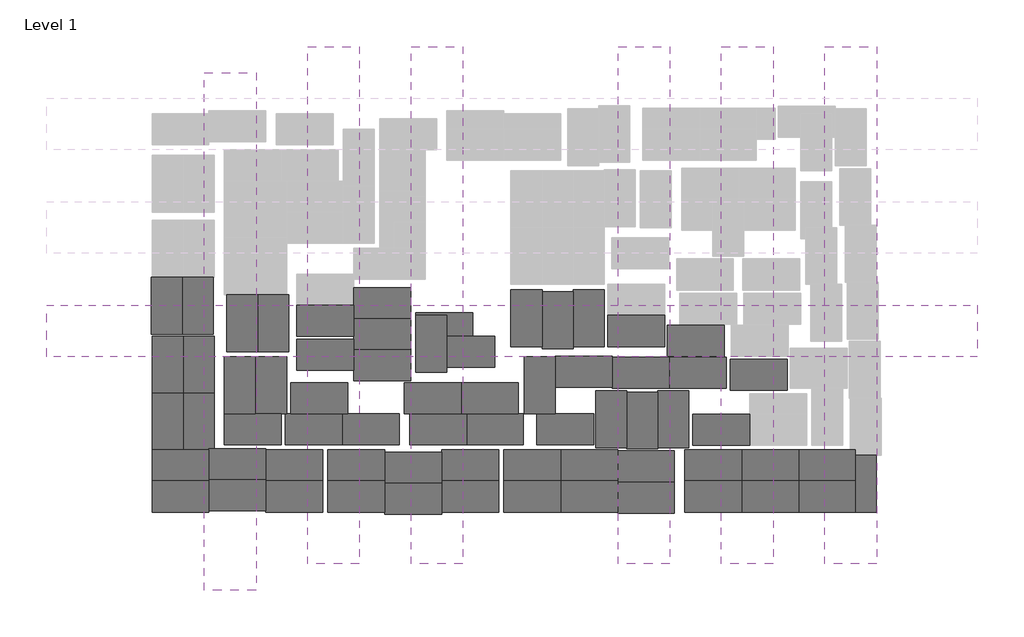
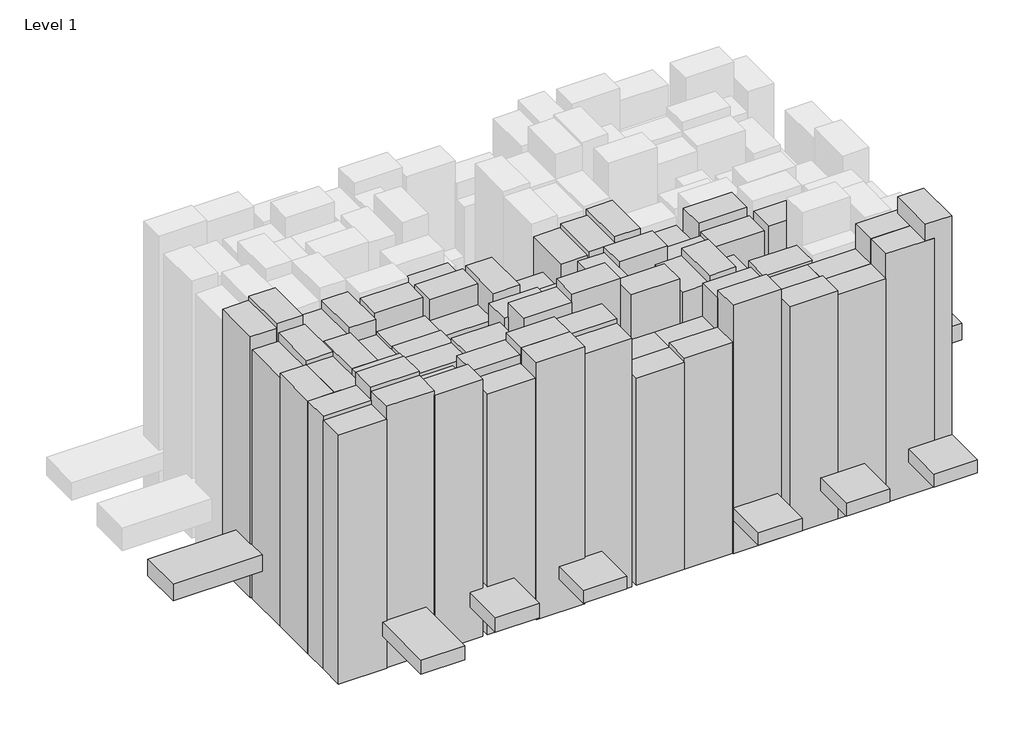
# One storey, part 1 of 2: 73 proxies.
"""IFC4 building model written with IfcOpenShell, lengths in millimetres."""

import ifcopenshell
import ifcopenshell.guid

model = None  # the IFC model being written
_history = None  # IfcOwnerHistory: only IFC2X3 demands one
_inside = {}  # id of a spatial element -> (the spatial element, [elements in it])
_under = {}  # id of a project, library or spatial element -> (it, [spatial elements below it])
_declared = {}  # id of a project -> (the project, [libraries it declares])
_typed = {}  # id of a type object -> (the type object, [elements of that type])
_made_of = {}  # id of a material, layer set ... -> (it, [elements and type objects made of it])


def new_model(schema):
    """Start an empty IFC model of exactly this schema.

    Asked for "IFC4X3", IfcOpenShell would pick the latest addendum, in which some entities
    have other attributes; the version numbers below select the first issue.
    IFC2X3 requires an IfcOwnerHistory on every rooted entity: one is made here for all.
    """
    global model, _history
    if schema == "IFC4X3":
        model = ifcopenshell.file(schema_version=(4, 3, 0, 0))
    else:
        model = ifcopenshell.file(schema=schema)
    _inside.clear()
    _under.clear()
    _declared.clear()
    _typed.clear()
    _made_of.clear()
    _history = None
    if model.schema == "IFC2X3":
        org = make("IfcOrganization", Name="unknown")
        user = make(
            "IfcPersonAndOrganization",
            ThePerson=make("IfcPerson", FamilyName="unknown"),
            TheOrganization=org,
        )
        app = make(
            "IfcApplication",
            ApplicationDeveloper=org,
            Version="unknown",
            ApplicationFullName="unknown",
            ApplicationIdentifier="unknown",
        )
        _history = make(
            "IfcOwnerHistory",
            OwningUser=user,
            OwningApplication=app,
            ChangeAction="ADDED",
            CreationDate=0,
        )
    return model


def make(cls, **values):
    """One entity of the class cls with the attributes given. An attribute that is None is left unset."""
    return model.create_entity(
        cls, **{name: value for name, value in values.items() if value is not None}
    )


def rooted(cls, **values):
    """An entity with a GlobalId (a new one), such as an element, a storey or a relation."""
    return make(cls, GlobalId=ifcopenshell.guid.new(), OwnerHistory=_history, **values)


def si_unit(unit_type, name, prefix=None):
    """IfcSIUnit, for example si_unit("LENGTHUNIT", "METRE", prefix="MILLI")."""
    return make("IfcSIUnit", UnitType=unit_type, Prefix=prefix, Name=name)


def assignment(units):
    """IfcUnitAssignment: the units of a project."""
    return None if units is None else make("IfcUnitAssignment", Units=units)


def point(xyz):
    """IfcCartesianPoint."""
    return None if xyz is None else make("IfcCartesianPoint", Coordinates=xyz)


def direction(xyz):
    """IfcDirection."""
    return None if xyz is None else make("IfcDirection", DirectionRatios=xyz)


def frame(location, z_axis=None, x_axis=None):
    """IfcAxis2Placement3D, a coordinate frame: its origin and axes. An axis left out is left unset."""
    return make(
        "IfcAxis2Placement3D",
        Location=point(location),
        Axis=direction(z_axis),
        RefDirection=direction(x_axis),
    )


def origin():
    """The frame at (0, 0, 0) with its axes left unset."""
    return frame((0.0, 0.0, 0.0))


def origin_with_axes():
    """The frame at (0, 0, 0) with the z axis (0, 0, 1) and the x axis (1, 0, 0) written out."""
    return frame((0.0, 0.0, 0.0), z_axis=(0.0, 0.0, 1.0), x_axis=(1.0, 0.0, 0.0))


def place(relative_to, where):
    """IfcLocalPlacement: puts the frame where relative to a parent placement (None: the world)."""
    return make(
        "IfcLocalPlacement", PlacementRelTo=relative_to, RelativePlacement=where
    )


def context(
    kind, dimensions, precision=None, world=None, true_north=None, identifier=None
):
    """IfcGeometricRepresentationContext, for example the 3D "Model" context."""
    return make(
        "IfcGeometricRepresentationContext",
        ContextIdentifier=identifier,
        ContextType=kind,
        CoordinateSpaceDimension=dimensions,
        Precision=precision,
        WorldCoordinateSystem=world,
        TrueNorth=true_north,
    )


def project(units=None, contexts=None):
    """IfcProject with its units and contexts."""
    return rooted(
        "IfcProject",
        Name="project",
        RepresentationContexts=contexts,
        UnitsInContext=assignment(units),
    )


def spatial(cls, under=None, at=None, **own):
    """A site, building, storey or space (cls), placed at a placement, below another one or the project."""
    s = rooted(cls, ObjectPlacement=at, **own)
    if under is not None:
        _under.setdefault(under.id(), (under, []))[1].append(s)
    return s


def polyline(points):
    """IfcPolyline through the points."""
    return make("IfcPolyline", Points=[point(p) for p in points])


def outline(outer, holes=None, kind="AREA"):
    """IfcArbitraryClosedProfileDef: a profile drawn as a closed curve; with holes, ...WithVoids."""
    if holes is None:
        return make("IfcArbitraryClosedProfileDef", ProfileType=kind, OuterCurve=outer)
    return make(
        "IfcArbitraryProfileDefWithVoids",
        ProfileType=kind,
        OuterCurve=outer,
        InnerCurves=holes,
    )


def extrude(swept, where, along, depth):
    """IfcExtrudedAreaSolid: the profile swept, set in the frame where, extruded along a direction by depth."""
    return make(
        "IfcExtrudedAreaSolid",
        SweptArea=swept,
        Position=where,
        ExtrudedDirection=direction(along),
        Depth=depth,
    )


def shape(context_of_items, identifier, shape_type, items):
    """IfcShapeRepresentation: the items that make up one representation, for example the "Body"."""
    return make(
        "IfcShapeRepresentation",
        ContextOfItems=context_of_items,
        RepresentationIdentifier=identifier,
        RepresentationType=shape_type,
        Items=items,
    )


def source(mapping_origin, context_of_items, identifier, shape_type, items):
    """IfcRepresentationMap: a shape defined once, which mapped items show again and again."""
    return make(
        "IfcRepresentationMap",
        MappingOrigin=mapping_origin,
        MappedRepresentation=shape(context_of_items, identifier, shape_type, items),
    )


def transform(
    local_origin,
    x_axis=None,
    y_axis=None,
    z_axis=None,
    scale=None,
    scale2=None,
    scale3=None,
    uniform=True,
):
    """IfcCartesianTransformationOperator3D, or its non-uniform kind. x_axis, y_axis, z_axis: its Axis1, 2, 3."""
    if uniform:
        return make(
            "IfcCartesianTransformationOperator3D",
            Axis1=direction(x_axis),
            Axis2=direction(y_axis),
            LocalOrigin=point(local_origin),
            Scale=scale,
            Axis3=direction(z_axis),
        )
    return make(
        "IfcCartesianTransformationOperator3DnonUniform",
        Axis1=direction(x_axis),
        Axis2=direction(y_axis),
        LocalOrigin=point(local_origin),
        Scale=scale,
        Axis3=direction(z_axis),
        Scale2=scale2,
        Scale3=scale3,
    )


def mapped(mapping_source, mapping_target):
    """IfcMappedItem: shows the shape of a source again, moved by a transform."""
    return make(
        "IfcMappedItem", MappingSource=mapping_source, MappingTarget=mapping_target
    )


def made_of(thing, what):
    """Note that an element or type object is made of a material, layer set ...; save() writes the relation."""
    if what is not None:
        _made_of.setdefault(what.id(), (what, []))[1].append(thing)
    return thing


def element(
    cls,
    number,
    at=None,
    inside=None,
    cuts=None,
    type_object=None,
    material=None,
    context=None,
    identifier="Body",
    shape_type=None,
    held_by="IfcProductDefinitionShape",
    body=None,
    shapes=None,
    **own,
):
    """One element of the class cls, such as IfcWall. Its Tag is "e" and its number.

    at: its placement. inside: the storey or other place that contains it. cuts: it is an
    opening in that element (IfcRelVoidsElement). A single representation is given by context,
    identifier, shape_type and body (its items); several are given by shapes. held_by: the class
    of the entity that holds the representations. save() writes the other relations.
    """
    e = rooted(cls, Tag="e%d" % number, ObjectPlacement=at, **own)
    if body is not None:
        shapes = [shape(context, identifier, shape_type, body)]
    if shapes is not None:
        e.Representation = make(held_by, Representations=shapes)
    if inside is not None:
        _inside.setdefault(inside.id(), (inside, []))[1].append(e)
    if cuts is not None:
        rooted(
            "IfcRelVoidsElement", RelatingBuildingElement=cuts, RelatedOpeningElement=e
        )
    if type_object is not None:
        _typed.setdefault(type_object.id(), (type_object, []))[1].append(e)
    return made_of(e, material)


def aggregate(whole, parts):
    """IfcRelAggregates: a whole, such as a stair, and the parts it consists of."""
    return rooted("IfcRelAggregates", RelatingObject=whole, RelatedObjects=parts)


def save(model, path):
    """Write the relations noted so far, then the file.

    IfcRelAggregates (storeys below a building ...), IfcRelContainedInSpatialStructure (elements
    in a storey), IfcRelDefinesByType, IfcRelAssociatesMaterial and IfcRelDeclares: one each for
    every whole, place, type object, material and project.
    """
    for whole, parts in _under.values():
        aggregate(whole, parts)
    for where, things in _inside.values():
        rooted(
            "IfcRelContainedInSpatialStructure",
            RelatedElements=things,
            RelatingStructure=where,
        )
    for kind, things in _typed.values():
        rooted("IfcRelDefinesByType", RelatedObjects=things, RelatingType=kind)
    for what, things in _made_of.values():
        rooted("IfcRelAssociatesMaterial", RelatedObjects=things, RelatingMaterial=what)
    for by, libraries in _declared.values():
        rooted("IfcRelDeclares", RelatingContext=by, RelatedDefinitions=libraries)
    model.write(path)


def family1_dcfbde00(model_context):
    return source(origin(), model_context, "Body", "SweptSolid", [
        extrude(outline(polyline([(5500.0, 0.0), (0.0, 0.0), (0.0, 3000.0), (5500.0, 3000.0), (5500.0, 0.0)])), origin_with_axes(), (0.0, 0.0, 1.0), 30000.0),
    ])


def family1_fa76c40e(model_context):
    return source(origin(), model_context, "Body", "SweptSolid", [
        extrude(outline(polyline([(5500.0, 0.0), (0.0, 0.0), (0.0, 3000.0), (5500.0, 3000.0), (5500.0, 0.0)])), origin_with_axes(), (0.0, 0.0, 1.0), 31500.0),
    ])


def family1_e73b99d9(model_context):
    return source(origin(), model_context, "Body", "SweptSolid", [
        extrude(outline(polyline([(5500.0, 0.0), (0.0, 0.0), (0.0, 3000.0), (5500.0, 3000.0), (5500.0, 0.0)])), origin_with_axes(), (0.0, 0.0, 1.0), 31000.0),
    ])


def family1_9aadf6d4(model_context):
    return source(origin(), model_context, "Body", "SweptSolid", [
        extrude(outline(polyline([(5500.0, 0.0), (0.0, 0.0), (0.0, 3000.0), (5500.0, 3000.0), (5500.0, 0.0)])), origin_with_axes(), (0.0, 0.0, 1.0), 29000.0),
    ])


def family1_6fe13b76(model_context):
    return source(origin(), model_context, "Body", "SweptSolid", [
        extrude(outline(polyline([(5500.0, 0.0), (0.0, 0.0), (0.0, 3000.0), (5500.0, 3000.0), (5500.0, 0.0)])), origin_with_axes(), (0.0, 0.0, 1.0), 25000.0),
    ])


def family1_b796bfb3(model_context):
    return source(origin(), model_context, "Body", "SweptSolid", [
        extrude(outline(polyline([(5500.0, 0.0), (0.0, 0.0), (0.0, 3000.0), (5500.0, 3000.0), (5500.0, 0.0)])), origin_with_axes(), (0.0, 0.0, 1.0), 25500.0),
    ])


def family1_b3317241(model_context):
    return source(origin(), model_context, "Body", "SweptSolid", [
        extrude(outline(polyline([(5500.0, 0.0), (0.0, 0.0), (0.0, 3000.0), (5500.0, 3000.0), (5500.0, 0.0)])), origin_with_axes(), (0.0, 0.0, 1.0), 27500.0),
    ])


def family1_00f34a61(model_context):
    return source(origin(), model_context, "Body", "SweptSolid", [
        extrude(outline(polyline([(5500.0, 0.0), (0.0, 0.0), (0.0, 3000.0), (5500.0, 3000.0), (5500.0, 0.0)])), origin_with_axes(), (0.0, 0.0, 1.0), 27000.0),
    ])


def family1_896059d8(model_context):
    return source(origin(), model_context, "Body", "SweptSolid", [
        extrude(outline(polyline([(5500.0, 0.0), (0.0, 0.0), (0.0, 3000.0), (5500.0, 3000.0), (5500.0, 0.0)])), origin_with_axes(), (0.0, 0.0, 1.0), 30500.0),
    ])


def family1_b3f269f6(model_context):
    return source(origin(), model_context, "Body", "SweptSolid", [
        extrude(outline(polyline([(5500.0, 0.0), (0.0, 0.0), (0.0, 3000.0), (5500.0, 3000.0), (5500.0, 0.0)])), origin_with_axes(), (0.0, 0.0, 1.0), 32000.0),
    ])


def family1_c6da188d(model_context):
    return source(origin(), model_context, "Body", "SweptSolid", [
        extrude(outline(polyline([(5500.0, 0.0), (0.0, 0.0), (0.0, 3000.0), (5500.0, 3000.0), (5500.0, 0.0)])), origin_with_axes(), (0.0, 0.0, 1.0), 29800.0),
    ])


def family1_1ed43506(model_context):
    return source(origin(), model_context, "Body", "SweptSolid", [
        extrude(outline(polyline([(5500.0, 0.0), (0.0, 0.0), (0.0, 3000.0), (5500.0, 3000.0), (5500.0, 0.0)])), origin_with_axes(), (0.0, 0.0, 1.0), 29500.0),
    ])


def family1_eb2d8682(model_context):
    return source(origin(), model_context, "Body", "SweptSolid", [
        extrude(outline(polyline([(5500.0, 0.0), (0.0, 0.0), (0.0, 3000.0), (5500.0, 3000.0), (5500.0, 0.0)])), origin_with_axes(), (0.0, 0.0, 1.0), 28500.0),
    ])


def family1_bbf167fb(model_context):
    return source(origin(), model_context, "Body", "SweptSolid", [
        extrude(outline(polyline([(5500.0, 0.0), (0.0, 0.0), (0.0, 3000.0), (5500.0, 3000.0), (5500.0, 0.0)])), origin_with_axes(), (0.0, 0.0, 1.0), 27800.0),
    ])


def family1_5d7a1b15(model_context):
    return source(origin(), model_context, "Body", "SweptSolid", [
        extrude(outline(polyline([(5500.0, 0.0), (0.0, 0.0), (0.0, 3000.0), (5500.0, 3000.0), (5500.0, 0.0)])), origin_with_axes(), (0.0, 0.0, 1.0), 28900.0),
    ])


def family1_4a66f62a(model_context):
    return source(origin(), model_context, "Body", "SweptSolid", [
        extrude(outline(polyline([(5500.0, 0.0), (0.0, 0.0), (0.0, 3000.0), (5500.0, 3000.0), (5500.0, 0.0)])), origin_with_axes(), (0.0, 0.0, 1.0), 29300.0),
    ])


def family1_2dd5feae(model_context):
    return source(origin(), model_context, "Body", "SweptSolid", [
        extrude(outline(polyline([(5500.0, 0.0), (0.0, 0.0), (0.0, 3000.0), (5500.0, 3000.0), (5500.0, 0.0)])), origin_with_axes(), (0.0, 0.0, 1.0), 26500.0),
    ])


def family1_f460b809(model_context):
    return source(origin(), model_context, "Body", "SweptSolid", [
        extrude(outline(polyline([(5500.0, 0.0), (0.0, 0.0), (0.0, 3000.0), (5500.0, 3000.0), (5500.0, 0.0)])), origin_with_axes(), (0.0, 0.0, 1.0), 29400.0),
    ])


def family1_5bcc99a8(model_context):
    return source(origin(), model_context, "Body", "SweptSolid", [
        extrude(outline(polyline([(5500.0, 0.0), (0.0, 0.0), (0.0, 3000.0), (5500.0, 3000.0), (5500.0, 0.0)])), origin_with_axes(), (0.0, 0.0, 1.0), 28800.0),
    ])


def family1_86fee04a(model_context):
    return source(origin(), model_context, "Body", "SweptSolid", [
        extrude(outline(polyline([(5500.0, 0.0), (0.0, 0.0), (0.0, 3000.0), (5500.0, 3000.0), (5500.0, 0.0)])), origin_with_axes(), (0.0, 0.0, 1.0), 28000.0),
    ])


def family1_0870149c(model_context):
    return source(origin(), model_context, "Body", "SweptSolid", [
        extrude(outline(polyline([(5000.0, 0.0), (0.0, 0.0), (0.0, 50000.0), (5000.0, 50000.0), (5000.0, 0.0)])), origin_with_axes(), (0.0, 0.0, 1.0), 1500.0),
    ])


def family1_b5d88c79(model_context):
    return source(origin(), model_context, "Body", "SweptSolid", [
        extrude(outline(polyline([(5500.0, 0.0), (0.0, 0.0), (0.0, 3000.0), (5500.0, 3000.0), (5500.0, 0.0)])), origin_with_axes(), (0.0, 0.0, 1.0), 32470.0),
    ])


def family1_2c96ef30(model_context):
    return source(origin(), model_context, "Body", "SweptSolid", [
        extrude(outline(polyline([(5000.0, 0.0), (0.0, 0.0), (0.0, 50000.0), (5000.0, 50000.0), (5000.0, 0.0)])), origin_with_axes(), (0.0, 0.0, 1.0), 1585.0),
    ])


def family1_608e45cc(model_context):
    return source(origin(), model_context, "Body", "SweptSolid", [
        extrude(outline(polyline([(5000.0, 0.0), (0.0, 0.0), (0.0, 50000.0), (5000.0, 50000.0), (5000.0, 0.0)])), origin_with_axes(), (0.0, 0.0, 1.0), 1589.0),
    ])


def family1_6e480913(model_context):
    return source(origin(), model_context, "Body", "SweptSolid", [
        extrude(outline(polyline([(5000.0, 0.0), (0.0, 0.0), (0.0, 50000.0), (5000.0, 50000.0), (5000.0, 0.0)])), origin_with_axes(), (0.0, 0.0, 1.0), 1532.0),
    ])


def family1_7117d171(model_context):
    return source(origin(), model_context, "Body", "SweptSolid", [
        extrude(outline(polyline([(5000.0, 0.0), (0.0, 0.0), (0.0, 50000.0), (5000.0, 50000.0), (5000.0, 0.0)])), origin_with_axes(), (0.0, 0.0, 1.0), 1689.0),
    ])


def family1_5b284965(model_context):
    return source(origin(), model_context, "Body", "SweptSolid", [
        extrude(outline(polyline([(5000.0, 0.0), (0.0, 0.0), (0.0, 50000.0), (5000.0, 50000.0), (5000.0, 0.0)])), origin_with_axes(), (0.0, 0.0, 1.0), 1785.0),
    ])


def family1_dd47b51a(model_context):
    return source(origin(), model_context, "Body", "SweptSolid", [
        extrude(outline(polyline([(90000.0, 0.0), (0.0, 0.0), (0.0, 5000.0), (90000.0, 5000.0), (90000.0, 0.0)])), origin_with_axes(), (0.0, 0.0, 1.0), 1984.0),
    ])


model = new_model("IFC4")

# Units and contexts
model_context = context("Model", 3, world=origin())
ifc_project = project(units=[si_unit("LENGTHUNIT", "METRE", prefix="MILLI")], contexts=[model_context])

# Site, building, storey
site = spatial("IfcSite", under=ifc_project)
building = spatial("IfcBuilding", under=site)
storey = spatial("IfcBuildingStorey", under=building, Name="Level 1", Elevation=0.0)

# Proxies
placement = place(None, origin())
family1_shape = family1_dcfbde00(model_context)
element("IfcBuildingElementProxy", 1, Name="Family1", ObjectType="Family1", at=placement, inside=storey, context=model_context, shape_type="MappedRepresentation", body=[
    mapped(family1_shape, transform((-431048.9072431, -147553.2809214, 0.0), x_axis=(1.0, 0.0, 0.0), y_axis=(0.0, 1.0, 0.0), z_axis=(0.0, 0.0, 1.0))),
])
element("IfcBuildingElementProxy", 2, Name="Family1", ObjectType="Family1", at=placement, inside=storey, context=model_context, shape_type="MappedRepresentation", body=[
    mapped(family1_shape, transform((-403048.9072431, -147553.2809214, 0.0), x_axis=(1.0, 0.0, 0.0), y_axis=(0.0, 1.0, 0.0), z_axis=(0.0, 0.0, 1.0))),
])
element("IfcBuildingElementProxy", 3, Name="Family1", ObjectType="Family1", at=placement, inside=storey, context=model_context, shape_type="MappedRepresentation", body=[
    mapped(family1_shape, transform((-386048.9072431, -147653.2809214, 0.0), x_axis=(1.0, 0.0, 0.0), y_axis=(0.0, 1.0, 0.0), z_axis=(0.0, 0.0, 1.0))),
])
element("IfcBuildingElementProxy", 4, Name="Family1", ObjectType="Family1", at=placement, inside=storey, context=model_context, shape_type="MappedRepresentation", body=[
    mapped(family1_shape, transform((-368548.9072431, -147553.2809214, 0.0), x_axis=(1.0, 0.0, 0.0), y_axis=(0.0, 1.0, 0.0), z_axis=(0.0, 0.0, 1.0))),
])
element("IfcBuildingElementProxy", 5, Name="Family1", ObjectType="Family1", at=placement, inside=storey, context=model_context, shape_type="MappedRepresentation", body=[
    mapped(family1_shape, transform((-414048.9072431, -144553.2809214, 0.0), x_axis=(1.0, 0.0, 0.0), y_axis=(0.0, 1.0, 0.0), z_axis=(0.0, 0.0, 1.0))),
])
element("IfcBuildingElementProxy", 6, Name="Family1", ObjectType="Family1", at=placement, inside=storey, context=model_context, shape_type="MappedRepresentation", body=[
    mapped(family1_shape, transform((-368548.9072431, -144553.2809214, 0.0), x_axis=(1.0, 0.0, 0.0), y_axis=(0.0, 1.0, 0.0), z_axis=(0.0, 0.0, 1.0))),
])
element("IfcBuildingElementProxy", 7, Name="Family1", ObjectType="Family1", at=placement, inside=storey, context=model_context, shape_type="MappedRepresentation", body=[
    mapped(family1_shape, transform((-428048.9072431, -136053.2809214, 0.0), x_axis=(0.0, 1.0, 0.0), y_axis=(-1.0, 0.0, 0.0), z_axis=(0.0, 0.0, 1.0))),
])
element("IfcBuildingElementProxy", 8, Name="Family1", ObjectType="Family1", at=placement, inside=storey, context=model_context, shape_type="MappedRepresentation", body=[
    mapped(family1_shape, transform((-417848.9072431, -132053.2809214, 0.0), x_axis=(0.0, 1.0, 0.0), y_axis=(-1.0, 0.0, 0.0), z_axis=(0.0, 0.0, 1.0))),
])
element("IfcBuildingElementProxy", 9, Name="Family1", ObjectType="Family1", at=placement, inside=storey, context=model_context, shape_type="MappedRepresentation", body=[
    mapped(family1_shape, transform((-411548.9072431, -131853.2809214, 0.0), x_axis=(1.0, 0.0, 0.0), y_axis=(0.0, 1.0, 0.0), z_axis=(0.0, 0.0, 1.0))),
])
element("IfcBuildingElementProxy", 10, Name="Family1", ObjectType="Family1", at=placement, inside=storey, context=model_context, shape_type="MappedRepresentation", body=[
    mapped(family1_shape, transform((-388348.9072431, -138053.2809214, 0.0), x_axis=(-1.0, 0.0, 0.0), y_axis=(0.0, -1.0, 0.0), z_axis=(0.0, 0.0, 1.0))),
])
element("IfcBuildingElementProxy", 11, Name="Family1", ObjectType="Family1", at=placement, inside=storey, context=model_context, shape_type="MappedRepresentation", body=[
    mapped(family1_shape, transform((-402548.9072431, -134053.2809214, 0.0), x_axis=(0.0, 1.0, 0.0), y_axis=(-1.0, 0.0, 0.0), z_axis=(0.0, 0.0, 1.0))),
])
element("IfcBuildingElementProxy", 12, Name="Family1", ObjectType="Family1", at=placement, inside=storey, context=model_context, shape_type="MappedRepresentation", body=[
    mapped(family1_shape, transform((-387348.9072431, -131553.2809214, 0.0), x_axis=(0.0, 1.0, 0.0), y_axis=(-1.0, 0.0, 0.0), z_axis=(0.0, 0.0, 1.0))),
])
element("IfcBuildingElementProxy", 13, Name="Family1", ObjectType="Family1", at=placement, inside=storey, context=model_context, shape_type="MappedRepresentation", body=[
    mapped(family1_shape, transform((-386548.9072431, -132503.2809214, 0.0), x_axis=(-1.0, 0.0, 0.0), y_axis=(0.0, -1.0, 0.0), z_axis=(0.0, 0.0, 1.0))),
])
family1_2_shape = family1_fa76c40e(model_context)
element("IfcBuildingElementProxy", 14, Name="Family1", ObjectType="Family1", at=placement, inside=storey, context=model_context, shape_type="MappedRepresentation", body=[
    mapped(family1_2_shape, transform((-425548.9072431, -147453.2809214, 0.0), x_axis=(1.0, 0.0, 0.0), y_axis=(0.0, 1.0, 0.0), z_axis=(0.0, 0.0, 1.0))),
])
element("IfcBuildingElementProxy", 15, Name="Family1", ObjectType="Family1", at=placement, inside=storey, context=model_context, shape_type="MappedRepresentation", body=[
    mapped(family1_2_shape, transform((-428148.9072431, -130353.2809214, 0.0), x_axis=(0.0, 1.0, 0.0), y_axis=(-1.0, 0.0, 0.0), z_axis=(0.0, 0.0, 1.0))),
])
element("IfcBuildingElementProxy", 16, Name="Family1", ObjectType="Family1", at=placement, inside=storey, context=model_context, shape_type="MappedRepresentation", body=[
    mapped(family1_2_shape, transform((-400648.9072431, -138053.2809214, 0.0), x_axis=(-1.0, 0.0, 0.0), y_axis=(0.0, -1.0, 0.0), z_axis=(0.0, 0.0, 1.0))),
])
family1_3_shape = family1_e73b99d9(model_context)
element("IfcBuildingElementProxy", 17, Name="Family1", ObjectType="Family1", at=placement, inside=storey, context=model_context, shape_type="MappedRepresentation", body=[
    mapped(family1_3_shape, transform((-420048.9072431, -147553.2809214, 0.0), x_axis=(1.0, 0.0, 0.0), y_axis=(0.0, 1.0, 0.0), z_axis=(0.0, 0.0, 1.0))),
])
element("IfcBuildingElementProxy", 18, Name="Family1", ObjectType="Family1", at=placement, inside=storey, context=model_context, shape_type="MappedRepresentation", body=[
    mapped(family1_3_shape, transform((-408548.9072431, -147753.2809214, 0.0), x_axis=(1.0, 0.0, 0.0), y_axis=(0.0, 1.0, 0.0), z_axis=(0.0, 0.0, 1.0))),
])
element("IfcBuildingElementProxy", 19, Name="Family1", ObjectType="Family1", at=placement, inside=storey, context=model_context, shape_type="MappedRepresentation", body=[
    mapped(family1_3_shape, transform((-408548.9072431, -144753.2809214, 0.0), x_axis=(1.0, 0.0, 0.0), y_axis=(0.0, 1.0, 0.0), z_axis=(0.0, 0.0, 1.0))),
])
element("IfcBuildingElementProxy", 20, Name="Family1", ObjectType="Family1", at=placement, inside=storey, context=model_context, shape_type="MappedRepresentation", body=[
    mapped(family1_3_shape, transform((-425048.9072431, -136053.2809214, 0.0), x_axis=(0.0, 1.0, 0.0), y_axis=(-1.0, 0.0, 0.0), z_axis=(0.0, 0.0, 1.0))),
])
family1_4_shape = family1_9aadf6d4(model_context)
element("IfcBuildingElementProxy", 21, Name="Family1", ObjectType="Family1", at=placement, inside=storey, context=model_context, shape_type="MappedRepresentation", body=[
    mapped(family1_4_shape, transform((-414048.9072431, -147553.2809214, 0.0), x_axis=(1.0, 0.0, 0.0), y_axis=(0.0, 1.0, 0.0), z_axis=(0.0, 0.0, 1.0))),
])
element("IfcBuildingElementProxy", 22, Name="Family1", ObjectType="Family1", at=placement, inside=storey, context=model_context, shape_type="MappedRepresentation", body=[
    mapped(family1_4_shape, transform((-420048.9072431, -144553.2809214, 0.0), x_axis=(1.0, 0.0, 0.0), y_axis=(0.0, 1.0, 0.0), z_axis=(0.0, 0.0, 1.0))),
])
element("IfcBuildingElementProxy", 23, Name="Family1", ObjectType="Family1", at=placement, inside=storey, context=model_context, shape_type="MappedRepresentation", body=[
    mapped(family1_4_shape, transform((-386048.9072431, -144653.2809214, 0.0), x_axis=(1.0, 0.0, 0.0), y_axis=(0.0, 1.0, 0.0), z_axis=(0.0, 0.0, 1.0))),
])
element("IfcBuildingElementProxy", 24, Name="Family1", ObjectType="Family1", at=placement, inside=storey, context=model_context, shape_type="MappedRepresentation", body=[
    mapped(family1_4_shape, transform((-412648.9072431, -138053.2809214, 0.0), x_axis=(-1.0, 0.0, 0.0), y_axis=(0.0, -1.0, 0.0), z_axis=(0.0, 0.0, 1.0))),
])
element("IfcBuildingElementProxy", 25, Name="Family1", ObjectType="Family1", at=placement, inside=storey, context=model_context, shape_type="MappedRepresentation", body=[
    mapped(family1_4_shape, transform((-420848.9072431, -132053.2809214, 0.0), x_axis=(0.0, 1.0, 0.0), y_axis=(-1.0, 0.0, 0.0), z_axis=(0.0, 0.0, 1.0))),
])
element("IfcBuildingElementProxy", 26, Name="Family1", ObjectType="Family1", at=placement, inside=storey, context=model_context, shape_type="MappedRepresentation", body=[
    mapped(family1_4_shape, transform((-375736.7752087, -129491.148887, 0.0), x_axis=(-1.0, 0.0, 0.0), y_axis=(0.0, -1.0, 0.0), z_axis=(0.0, 0.0, 1.0))),
])
family1_5_shape = family1_6fe13b76(model_context)
element("IfcBuildingElementProxy", 27, Name="Family1", ObjectType="Family1", at=placement, inside=storey, context=model_context, shape_type="MappedRepresentation", body=[
    mapped(family1_5_shape, transform((-397048.9072431, -147553.2809214, 0.0), x_axis=(1.0, 0.0, 0.0), y_axis=(0.0, 1.0, 0.0), z_axis=(0.0, 0.0, 1.0))),
])
element("IfcBuildingElementProxy", 28, Name="Family1", ObjectType="Family1", at=placement, inside=storey, context=model_context, shape_type="MappedRepresentation", body=[
    mapped(family1_5_shape, transform((-397048.9072431, -144553.2809214, 0.0), x_axis=(1.0, 0.0, 0.0), y_axis=(0.0, 1.0, 0.0), z_axis=(0.0, 0.0, 1.0))),
])
element("IfcBuildingElementProxy", 29, Name="Family1", ObjectType="Family1", at=placement, inside=storey, context=model_context, shape_type="MappedRepresentation", body=[
    mapped(family1_5_shape, transform((-391548.9072431, -144553.2809214, 0.0), x_axis=(1.0, 0.0, 0.0), y_axis=(0.0, 1.0, 0.0), z_axis=(0.0, 0.0, 1.0))),
])
family1_6_shape = family1_b796bfb3(model_context)
element("IfcBuildingElementProxy", 30, Name="Family1", ObjectType="Family1", at=placement, inside=storey, context=model_context, shape_type="MappedRepresentation", body=[
    mapped(family1_6_shape, transform((-391548.9072431, -147553.2809214, 0.0), x_axis=(1.0, 0.0, 0.0), y_axis=(0.0, 1.0, 0.0), z_axis=(0.0, 0.0, 1.0))),
])
family1_7_shape = family1_b3317241(model_context)
element("IfcBuildingElementProxy", 31, Name="Family1", ObjectType="Family1", at=placement, inside=storey, context=model_context, shape_type="MappedRepresentation", body=[
    mapped(family1_7_shape, transform((-379548.9072431, -147553.2809214, 0.0), x_axis=(1.0, 0.0, 0.0), y_axis=(0.0, 1.0, 0.0), z_axis=(0.0, 0.0, 1.0))),
])
element("IfcBuildingElementProxy", 32, Name="Family1", ObjectType="Family1", at=placement, inside=storey, context=model_context, shape_type="MappedRepresentation", body=[
    mapped(family1_7_shape, transform((-417048.9072431, -133853.2809214, 0.0), x_axis=(1.0, 0.0, 0.0), y_axis=(0.0, 1.0, 0.0), z_axis=(0.0, 0.0, 1.0))),
])
element("IfcBuildingElementProxy", 33, Name="Family1", ObjectType="Family1", at=placement, inside=storey, context=model_context, shape_type="MappedRepresentation", body=[
    mapped(family1_7_shape, transform((-411548.9072431, -134853.2809214, 0.0), x_axis=(1.0, 0.0, 0.0), y_axis=(0.0, 1.0, 0.0), z_axis=(0.0, 0.0, 1.0))),
])
element("IfcBuildingElementProxy", 34, Name="Family1", ObjectType="Family1", at=placement, inside=storey, context=model_context, shape_type="MappedRepresentation", body=[
    mapped(family1_7_shape, transform((-381048.9072431, -132603.2809214, 0.0), x_axis=(-1.0, 0.0, 0.0), y_axis=(0.0, -1.0, 0.0), z_axis=(0.0, 0.0, 1.0))),
])
family1_8_shape = family1_00f34a61(model_context)
element("IfcBuildingElementProxy", 35, Name="Family1", ObjectType="Family1", at=placement, inside=storey, context=model_context, shape_type="MappedRepresentation", body=[
    mapped(family1_8_shape, transform((-374048.9072431, -147553.2809214, 0.0), x_axis=(1.0, 0.0, 0.0), y_axis=(0.0, 1.0, 0.0), z_axis=(0.0, 0.0, 1.0))),
])
element("IfcBuildingElementProxy", 36, Name="Family1", ObjectType="Family1", at=placement, inside=storey, context=model_context, shape_type="MappedRepresentation", body=[
    mapped(family1_8_shape, transform((-379548.9072431, -144553.2809214, 0.0), x_axis=(1.0, 0.0, 0.0), y_axis=(0.0, 1.0, 0.0), z_axis=(0.0, 0.0, 1.0))),
])
element("IfcBuildingElementProxy", 37, Name="Family1", ObjectType="Family1", at=placement, inside=storey, context=model_context, shape_type="MappedRepresentation", body=[
    mapped(family1_8_shape, transform((-374048.9072431, -144553.2809214, 0.0), x_axis=(1.0, 0.0, 0.0), y_axis=(0.0, 1.0, 0.0), z_axis=(0.0, 0.0, 1.0))),
])
element("IfcBuildingElementProxy", 38, Name="Family1", ObjectType="Family1", at=placement, inside=storey, context=model_context, shape_type="MappedRepresentation", body=[
    mapped(family1_8_shape, transform((-373254.678609, -138103.2809214, 0.0), x_axis=(-1.0, 0.0, 0.0), y_axis=(0.0, -1.0, 0.0), z_axis=(0.0, 0.0, 1.0))),
])
family1_9_shape = family1_896059d8(model_context)
element("IfcBuildingElementProxy", 39, Name="Family1", ObjectType="Family1", at=placement, inside=storey, context=model_context, shape_type="MappedRepresentation", body=[
    mapped(family1_9_shape, transform((-431048.9072431, -144553.2809214, 0.0), x_axis=(1.0, 0.0, 0.0), y_axis=(0.0, 1.0, 0.0), z_axis=(0.0, 0.0, 1.0))),
])
element("IfcBuildingElementProxy", 40, Name="Family1", ObjectType="Family1", at=placement, inside=storey, context=model_context, shape_type="MappedRepresentation", body=[
    mapped(family1_9_shape, transform((-403048.9072431, -144553.2809214, 0.0), x_axis=(1.0, 0.0, 0.0), y_axis=(0.0, 1.0, 0.0), z_axis=(0.0, 0.0, 1.0))),
])
element("IfcBuildingElementProxy", 41, Name="Family1", ObjectType="Family1", at=placement, inside=storey, context=model_context, shape_type="MappedRepresentation", body=[
    mapped(family1_9_shape, transform((-425048.9072431, -141553.2809214, 0.0), x_axis=(0.0, 1.0, 0.0), y_axis=(-1.0, 0.0, 0.0), z_axis=(0.0, 0.0, 1.0))),
])
element("IfcBuildingElementProxy", 42, Name="Family1", ObjectType="Family1", at=placement, inside=storey, context=model_context, shape_type="MappedRepresentation", body=[
    mapped(family1_9_shape, transform((-428048.9072431, -141553.2809214, 0.0), x_axis=(0.0, 1.0, 0.0), y_axis=(-1.0, 0.0, 0.0), z_axis=(0.0, 0.0, 1.0))),
])
family1_10_shape = family1_b3f269f6(model_context)
element("IfcBuildingElementProxy", 43, Name="Family1", ObjectType="Family1", at=placement, inside=storey, context=model_context, shape_type="MappedRepresentation", body=[
    mapped(family1_10_shape, transform((-425548.9072431, -144453.2809214, 0.0), x_axis=(1.0, 0.0, 0.0), y_axis=(0.0, 1.0, 0.0), z_axis=(0.0, 0.0, 1.0))),
])
element("IfcBuildingElementProxy", 44, Name="Family1", ObjectType="Family1", at=placement, inside=storey, context=model_context, shape_type="MappedRepresentation", body=[
    mapped(family1_10_shape, transform((-425148.9072431, -130353.2809214, 0.0), x_axis=(0.0, 1.0, 0.0), y_axis=(-1.0, 0.0, 0.0), z_axis=(0.0, 0.0, 1.0))),
])
element("IfcBuildingElementProxy", 45, Name="Family1", ObjectType="Family1", at=placement, inside=storey, context=model_context, shape_type="MappedRepresentation", body=[
    mapped(family1_10_shape, transform((-361048.9072431, -147553.2809214, 0.0), x_axis=(0.0, 1.0, 0.0), y_axis=(-1.0, 0.0, 0.0), z_axis=(0.0, 0.0, 1.0))),
])
family1_11_shape = family1_c6da188d(model_context)
element("IfcBuildingElementProxy", 46, Name="Family1", ObjectType="Family1", at=placement, inside=storey, context=model_context, shape_type="MappedRepresentation", body=[
    mapped(family1_11_shape, transform((-418548.9072431, -138053.2809214, 0.0), x_axis=(-1.0, 0.0, 0.0), y_axis=(0.0, -1.0, 0.0), z_axis=(0.0, 0.0, 1.0))),
])
element("IfcBuildingElementProxy", 47, Name="Family1", ObjectType="Family1", at=placement, inside=storey, context=model_context, shape_type="MappedRepresentation", body=[
    mapped(family1_11_shape, transform((-421048.9072431, -138053.2809214, 0.0), x_axis=(0.0, 1.0, 0.0), y_axis=(-1.0, 0.0, 0.0), z_axis=(0.0, 0.0, 1.0))),
])
element("IfcBuildingElementProxy", 48, Name="Family1", ObjectType="Family1", at=placement, inside=storey, context=model_context, shape_type="MappedRepresentation", body=[
    mapped(family1_11_shape, transform((-406648.9072431, -138053.2809214, 0.0), x_axis=(1.0, 0.0, 0.0), y_axis=(0.0, 1.0, 0.0), z_axis=(0.0, 0.0, 1.0))),
])
family1_12_shape = family1_1ed43506(model_context)
element("IfcBuildingElementProxy", 49, Name="Family1", ObjectType="Family1", at=placement, inside=storey, context=model_context, shape_type="MappedRepresentation", body=[
    mapped(family1_12_shape, transform((-407148.9072431, -138053.2809214, 0.0), x_axis=(-1.0, 0.0, 0.0), y_axis=(0.0, -1.0, 0.0), z_axis=(0.0, 0.0, 1.0))),
])
element("IfcBuildingElementProxy", 50, Name="Family1", ObjectType="Family1", at=placement, inside=storey, context=model_context, shape_type="MappedRepresentation", body=[
    mapped(family1_12_shape, transform((-417048.9072431, -130553.2809214, 0.0), x_axis=(1.0, 0.0, 0.0), y_axis=(0.0, 1.0, 0.0), z_axis=(0.0, 0.0, 1.0))),
])
element("IfcBuildingElementProxy", 51, Name="Family1", ObjectType="Family1", at=placement, inside=storey, context=model_context, shape_type="MappedRepresentation", body=[
    mapped(family1_12_shape, transform((-401148.9072431, -138053.2809214, 0.0), x_axis=(1.0, 0.0, 0.0), y_axis=(0.0, 1.0, 0.0), z_axis=(0.0, 0.0, 1.0))),
])
element("IfcBuildingElementProxy", 52, Name="Family1", ObjectType="Family1", at=placement, inside=storey, context=model_context, shape_type="MappedRepresentation", body=[
    mapped(family1_12_shape, transform((-382148.9072431, -141453.2809214, 0.0), x_axis=(0.0, 1.0, 0.0), y_axis=(-1.0, 0.0, 0.0), z_axis=(0.0, 0.0, 1.0))),
])
family1_13_shape = family1_eb2d8682(model_context)
element("IfcBuildingElementProxy", 53, Name="Family1", ObjectType="Family1", at=placement, inside=storey, context=model_context, shape_type="MappedRepresentation", body=[
    mapped(family1_13_shape, transform((-418048.9072431, -138053.2809214, 0.0), x_axis=(0.0, 1.0, 0.0), y_axis=(-1.0, 0.0, 0.0), z_axis=(0.0, 0.0, 1.0))),
])
element("IfcBuildingElementProxy", 54, Name="Family1", ObjectType="Family1", at=placement, inside=storey, context=model_context, shape_type="MappedRepresentation", body=[
    mapped(family1_13_shape, transform((-417648.9072431, -138053.2809214, 0.0), x_axis=(1.0, 0.0, 0.0), y_axis=(0.0, 1.0, 0.0), z_axis=(0.0, 0.0, 1.0))),
])
element("IfcBuildingElementProxy", 55, Name="Family1", ObjectType="Family1", at=placement, inside=storey, context=model_context, shape_type="MappedRepresentation", body=[
    mapped(family1_13_shape, transform((-385148.9072431, -141353.2809214, 0.0), x_axis=(0.0, 1.0, 0.0), y_axis=(-1.0, 0.0, 0.0), z_axis=(0.0, 0.0, 1.0))),
])
element("IfcBuildingElementProxy", 56, Name="Family1", ObjectType="Family1", at=placement, inside=storey, context=model_context, shape_type="MappedRepresentation", body=[
    mapped(family1_13_shape, transform((-369636.7752087, -132791.148887, 0.0), x_axis=(-1.0, 0.0, 0.0), y_axis=(0.0, -1.0, 0.0), z_axis=(0.0, 0.0, 1.0))),
])
family1_14_shape = family1_bbf167fb(model_context)
element("IfcBuildingElementProxy", 57, Name="Family1", ObjectType="Family1", at=placement, inside=storey, context=model_context, shape_type="MappedRepresentation", body=[
    mapped(family1_14_shape, transform((-403434.1918906, -133575.4069071, 0.0), x_axis=(1.0, 0.0, 0.0), y_axis=(0.0, 1.0, 0.0), z_axis=(0.0, 0.0, 1.0))),
])
family1_15_shape = family1_5d7a1b15(model_context)
element("IfcBuildingElementProxy", 58, Name="Family1", ObjectType="Family1", at=placement, inside=storey, context=model_context, shape_type="MappedRepresentation", body=[
    mapped(family1_15_shape, transform((-411548.9072431, -128853.2809214, 0.0), x_axis=(1.0, 0.0, 0.0), y_axis=(0.0, 1.0, 0.0), z_axis=(0.0, 0.0, 1.0))),
])
family1_16_shape = family1_4a66f62a(model_context)
element("IfcBuildingElementProxy", 59, Name="Family1", ObjectType="Family1", at=placement, inside=storey, context=model_context, shape_type="MappedRepresentation", body=[
    mapped(family1_16_shape, transform((-392048.9072431, -138053.2809214, 0.0), x_axis=(0.0, 1.0, 0.0), y_axis=(-1.0, 0.0, 0.0), z_axis=(0.0, 0.0, 1.0))),
])
family1_17_shape = family1_2dd5feae(model_context)
element("IfcBuildingElementProxy", 60, Name="Family1", ObjectType="Family1", at=placement, inside=storey, context=model_context, shape_type="MappedRepresentation", body=[
    mapped(family1_17_shape, transform((-405548.9072431, -131303.2809214, 0.0), x_axis=(1.0, 0.0, 0.0), y_axis=(0.0, 1.0, 0.0), z_axis=(0.0, 0.0, 1.0))),
])
element("IfcBuildingElementProxy", 61, Name="Family1", ObjectType="Family1", at=placement, inside=storey, context=model_context, shape_type="MappedRepresentation", body=[
    mapped(family1_17_shape, transform((-379148.9072431, -141353.2809214, 0.0), x_axis=(0.0, 1.0, 0.0), y_axis=(-1.0, 0.0, 0.0), z_axis=(0.0, 0.0, 1.0))),
])
element("IfcBuildingElementProxy", 62, Name="Family1", ObjectType="Family1", at=placement, inside=storey, context=model_context, shape_type="MappedRepresentation", body=[
    mapped(family1_17_shape, transform((-381498.9072431, -128553.2809214, 0.0), x_axis=(-1.0, 0.0, 0.0), y_axis=(0.0, -1.0, 0.0), z_axis=(0.0, 0.0, 1.0))),
])
family1_18_shape = family1_f460b809(model_context)
element("IfcBuildingElementProxy", 63, Name="Family1", ObjectType="Family1", at=placement, inside=storey, context=model_context, shape_type="MappedRepresentation", body=[
    mapped(family1_18_shape, transform((-390348.9072431, -131753.2809214, 0.0), x_axis=(0.0, 1.0, 0.0), y_axis=(-1.0, 0.0, 0.0), z_axis=(0.0, 0.0, 1.0))),
])
family1_19_shape = family1_5bcc99a8(model_context)
element("IfcBuildingElementProxy", 64, Name="Family1", ObjectType="Family1", at=placement, inside=storey, context=model_context, shape_type="MappedRepresentation", body=[
    mapped(family1_19_shape, transform((-393348.9072431, -131553.2809214, 0.0), x_axis=(0.0, 1.0, 0.0), y_axis=(-1.0, 0.0, 0.0), z_axis=(0.0, 0.0, 1.0))),
])
family1_20_shape = family1_86fee04a(model_context)
element("IfcBuildingElementProxy", 65, Name="Family1", ObjectType="Family1", at=placement, inside=storey, context=model_context, shape_type="MappedRepresentation", body=[
    mapped(family1_20_shape, transform((-375548.9072431, -132603.2809214, 0.0), x_axis=(-1.0, 0.0, 0.0), y_axis=(0.0, -1.0, 0.0), z_axis=(0.0, 0.0, 1.0))),
])
family1_21_shape = family1_0870149c(model_context)
element("IfcBuildingElementProxy", 66, Name="Family1", ObjectType="Family1", at=placement, inside=storey, context=model_context, shape_type="MappedRepresentation", body=[
    mapped(family1_21_shape, transform((-405998.2878357, -152553.2809214, 4000.0), x_axis=(1.0, 0.0, 0.0), y_axis=(0.0, 1.0, 0.0), z_axis=(0.0, 0.0, 1.0))),
])
family1_22_shape = family1_b5d88c79(model_context)
element("IfcBuildingElementProxy", 67, Name="Family1", ObjectType="Family1", at=placement, inside=storey, context=model_context, shape_type="MappedRepresentation", body=[
    mapped(family1_22_shape, transform((-395148.9072431, -138053.2809214, 0.0), x_axis=(-1.0, 0.0, 0.0), y_axis=(0.0, -1.0, 0.0), z_axis=(0.0, 0.0, 1.0))),
])
family1_23_shape = family1_2c96ef30(model_context)
element("IfcBuildingElementProxy", 68, Name="Family1", ObjectType="Family1", at=placement, inside=storey, context=model_context, shape_type="MappedRepresentation", body=[
    mapped(family1_23_shape, transform((-365998.2878357, -152553.2809214, 4000.0), x_axis=(1.0, 0.0, 0.0), y_axis=(0.0, 1.0, 0.0), z_axis=(0.0, 0.0, 1.0))),
])
family1_24_shape = family1_608e45cc(model_context)
element("IfcBuildingElementProxy", 69, Name="Family1", ObjectType="Family1", at=placement, inside=storey, context=model_context, shape_type="MappedRepresentation", body=[
    mapped(family1_24_shape, transform((-375998.2878357, -152553.2809214, 4000.0), x_axis=(1.0, 0.0, 0.0), y_axis=(0.0, 1.0, 0.0), z_axis=(0.0, 0.0, 1.0))),
])
family1_25_shape = family1_6e480913(model_context)
element("IfcBuildingElementProxy", 70, Name="Family1", ObjectType="Family1", at=placement, inside=storey, context=model_context, shape_type="MappedRepresentation", body=[
    mapped(family1_25_shape, transform((-385998.2878357, -152553.2809214, 4000.0), x_axis=(1.0, 0.0, 0.0), y_axis=(0.0, 1.0, 0.0), z_axis=(0.0, 0.0, 1.0))),
])
family1_26_shape = family1_7117d171(model_context)
element("IfcBuildingElementProxy", 71, Name="Family1", ObjectType="Family1", at=placement, inside=storey, context=model_context, shape_type="MappedRepresentation", body=[
    mapped(family1_26_shape, transform((-425998.2878357, -155097.2809214, 4000.0), x_axis=(1.0, 0.0, 0.0), y_axis=(0.0, 1.0, 0.0), z_axis=(0.0, 0.0, 1.0))),
])
family1_27_shape = family1_5b284965(model_context)
element("IfcBuildingElementProxy", 72, Name="Family1", ObjectType="Family1", at=placement, inside=storey, context=model_context, shape_type="MappedRepresentation", body=[
    mapped(family1_27_shape, transform((-415998.2878357, -152553.2809214, 4000.0), x_axis=(1.0, 0.0, 0.0), y_axis=(0.0, 1.0, 0.0), z_axis=(0.0, 0.0, 1.0))),
])
family1_28_shape = family1_dd47b51a(model_context)
element("IfcBuildingElementProxy", 73, Name="Family1", ObjectType="Family1", at=placement, inside=storey, context=model_context, shape_type="MappedRepresentation", body=[
    mapped(family1_28_shape, transform((-441250.3487032, -132553.2809214, 4500.0), x_axis=(1.0, 0.0, 0.0), y_axis=(0.0, 1.0, 0.0), z_axis=(0.0, 0.0, 1.0))),
])

save(model, "model.ifc")
